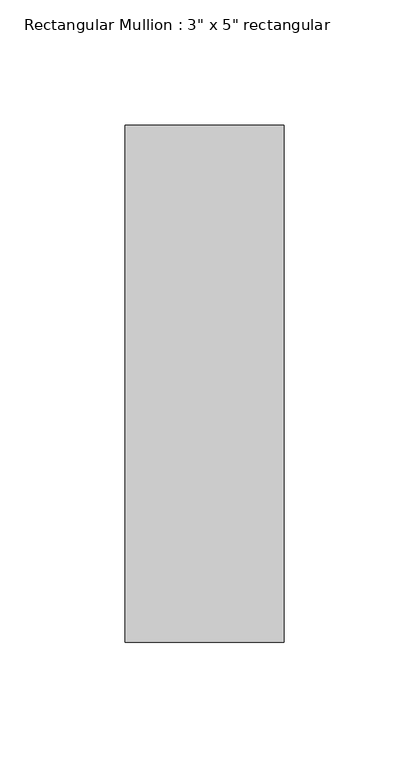
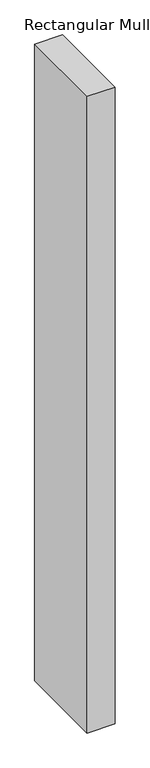
"""IFC4 building model written with IfcOpenShell, lengths in millimetres: member geometry."""

import ifcopenshell
import ifcopenshell.guid

model = None  # the IFC model being written
_history = None  # IfcOwnerHistory: only IFC2X3 demands one
_inside = {}  # id of a spatial element -> (the spatial element, [elements in it])
_under = {}  # id of a project, library or spatial element -> (it, [spatial elements below it])
_declared = {}  # id of a project -> (the project, [libraries it declares])
_typed = {}  # id of a type object -> (the type object, [elements of that type])
_made_of = {}  # id of a material, layer set ... -> (it, [elements and type objects made of it])


def new_model(schema):
    """Start an empty IFC model of exactly this schema.

    Asked for "IFC4X3", IfcOpenShell would pick the latest addendum, in which some entities
    have other attributes; the version numbers below select the first issue.
    IFC2X3 requires an IfcOwnerHistory on every rooted entity: one is made here for all.
    """
    global model, _history
    if schema == "IFC4X3":
        model = ifcopenshell.file(schema_version=(4, 3, 0, 0))
    else:
        model = ifcopenshell.file(schema=schema)
    _inside.clear()
    _under.clear()
    _declared.clear()
    _typed.clear()
    _made_of.clear()
    _history = None
    if model.schema == "IFC2X3":
        org = make("IfcOrganization", Name="unknown")
        user = make(
            "IfcPersonAndOrganization",
            ThePerson=make("IfcPerson", FamilyName="unknown"),
            TheOrganization=org,
        )
        app = make(
            "IfcApplication",
            ApplicationDeveloper=org,
            Version="unknown",
            ApplicationFullName="unknown",
            ApplicationIdentifier="unknown",
        )
        _history = make(
            "IfcOwnerHistory",
            OwningUser=user,
            OwningApplication=app,
            ChangeAction="ADDED",
            CreationDate=0,
        )
    return model


def make(cls, **values):
    """One entity of the class cls with the attributes given. An attribute that is None is left unset."""
    return model.create_entity(
        cls, **{name: value for name, value in values.items() if value is not None}
    )


def rooted(cls, **values):
    """An entity with a GlobalId (a new one), such as an element, a storey or a relation."""
    return make(cls, GlobalId=ifcopenshell.guid.new(), OwnerHistory=_history, **values)


def si_unit(unit_type, name, prefix=None):
    """IfcSIUnit, for example si_unit("LENGTHUNIT", "METRE", prefix="MILLI")."""
    return make("IfcSIUnit", UnitType=unit_type, Prefix=prefix, Name=name)


def assignment(units):
    """IfcUnitAssignment: the units of a project."""
    return None if units is None else make("IfcUnitAssignment", Units=units)


def point(xyz):
    """IfcCartesianPoint."""
    return None if xyz is None else make("IfcCartesianPoint", Coordinates=xyz)


def direction(xyz):
    """IfcDirection."""
    return None if xyz is None else make("IfcDirection", DirectionRatios=xyz)


def frame(location, z_axis=None, x_axis=None):
    """IfcAxis2Placement3D, a coordinate frame: its origin and axes. An axis left out is left unset."""
    return make(
        "IfcAxis2Placement3D",
        Location=point(location),
        Axis=direction(z_axis),
        RefDirection=direction(x_axis),
    )


def origin():
    """The frame at (0, 0, 0) with its axes left unset."""
    return frame((0.0, 0.0, 0.0))


def place(relative_to, where):
    """IfcLocalPlacement: puts the frame where relative to a parent placement (None: the world)."""
    return make(
        "IfcLocalPlacement", PlacementRelTo=relative_to, RelativePlacement=where
    )


def context(
    kind, dimensions, precision=None, world=None, true_north=None, identifier=None
):
    """IfcGeometricRepresentationContext, for example the 3D "Model" context."""
    return make(
        "IfcGeometricRepresentationContext",
        ContextIdentifier=identifier,
        ContextType=kind,
        CoordinateSpaceDimension=dimensions,
        Precision=precision,
        WorldCoordinateSystem=world,
        TrueNorth=true_north,
    )


def project(units=None, contexts=None):
    """IfcProject with its units and contexts."""
    return rooted(
        "IfcProject",
        Name="project",
        RepresentationContexts=contexts,
        UnitsInContext=assignment(units),
    )


def spatial(cls, under=None, at=None, **own):
    """A site, building, storey or space (cls), placed at a placement, below another one or the project."""
    s = rooted(cls, ObjectPlacement=at, **own)
    if under is not None:
        _under.setdefault(under.id(), (under, []))[1].append(s)
    return s


def polyline(points):
    """IfcPolyline through the points."""
    return make("IfcPolyline", Points=[point(p) for p in points])


def outline(outer, holes=None, kind="AREA"):
    """IfcArbitraryClosedProfileDef: a profile drawn as a closed curve; with holes, ...WithVoids."""
    if holes is None:
        return make("IfcArbitraryClosedProfileDef", ProfileType=kind, OuterCurve=outer)
    return make(
        "IfcArbitraryProfileDefWithVoids",
        ProfileType=kind,
        OuterCurve=outer,
        InnerCurves=holes,
    )


def extrude(swept, where, along, depth):
    """IfcExtrudedAreaSolid: the profile swept, set in the frame where, extruded along a direction by depth."""
    return make(
        "IfcExtrudedAreaSolid",
        SweptArea=swept,
        Position=where,
        ExtrudedDirection=direction(along),
        Depth=depth,
    )


def shape(context_of_items, identifier, shape_type, items):
    """IfcShapeRepresentation: the items that make up one representation, for example the "Body"."""
    return make(
        "IfcShapeRepresentation",
        ContextOfItems=context_of_items,
        RepresentationIdentifier=identifier,
        RepresentationType=shape_type,
        Items=items,
    )


def source(mapping_origin, context_of_items, identifier, shape_type, items):
    """IfcRepresentationMap: a shape defined once, which mapped items show again and again."""
    return make(
        "IfcRepresentationMap",
        MappingOrigin=mapping_origin,
        MappedRepresentation=shape(context_of_items, identifier, shape_type, items),
    )


def transform(
    local_origin,
    x_axis=None,
    y_axis=None,
    z_axis=None,
    scale=None,
    scale2=None,
    scale3=None,
    uniform=True,
):
    """IfcCartesianTransformationOperator3D, or its non-uniform kind. x_axis, y_axis, z_axis: its Axis1, 2, 3."""
    if uniform:
        return make(
            "IfcCartesianTransformationOperator3D",
            Axis1=direction(x_axis),
            Axis2=direction(y_axis),
            LocalOrigin=point(local_origin),
            Scale=scale,
            Axis3=direction(z_axis),
        )
    return make(
        "IfcCartesianTransformationOperator3DnonUniform",
        Axis1=direction(x_axis),
        Axis2=direction(y_axis),
        LocalOrigin=point(local_origin),
        Scale=scale,
        Axis3=direction(z_axis),
        Scale2=scale2,
        Scale3=scale3,
    )


def mapped(mapping_source, mapping_target):
    """IfcMappedItem: shows the shape of a source again, moved by a transform."""
    return make(
        "IfcMappedItem", MappingSource=mapping_source, MappingTarget=mapping_target
    )


def made_of(thing, what):
    """Note that an element or type object is made of a material, layer set ...; save() writes the relation."""
    if what is not None:
        _made_of.setdefault(what.id(), (what, []))[1].append(thing)
    return thing


def element(
    cls,
    number,
    at=None,
    inside=None,
    cuts=None,
    type_object=None,
    material=None,
    context=None,
    identifier="Body",
    shape_type=None,
    held_by="IfcProductDefinitionShape",
    body=None,
    shapes=None,
    **own,
):
    """One element of the class cls, such as IfcWall. Its Tag is "e" and its number.

    at: its placement. inside: the storey or other place that contains it. cuts: it is an
    opening in that element (IfcRelVoidsElement). A single representation is given by context,
    identifier, shape_type and body (its items); several are given by shapes. held_by: the class
    of the entity that holds the representations. save() writes the other relations.
    """
    e = rooted(cls, Tag="e%d" % number, ObjectPlacement=at, **own)
    if body is not None:
        shapes = [shape(context, identifier, shape_type, body)]
    if shapes is not None:
        e.Representation = make(held_by, Representations=shapes)
    if inside is not None:
        _inside.setdefault(inside.id(), (inside, []))[1].append(e)
    if cuts is not None:
        rooted(
            "IfcRelVoidsElement", RelatingBuildingElement=cuts, RelatedOpeningElement=e
        )
    if type_object is not None:
        _typed.setdefault(type_object.id(), (type_object, []))[1].append(e)
    return made_of(e, material)


def aggregate(whole, parts):
    """IfcRelAggregates: a whole, such as a stair, and the parts it consists of."""
    return rooted("IfcRelAggregates", RelatingObject=whole, RelatedObjects=parts)


def save(model, path):
    """Write the relations noted so far, then the file.

    IfcRelAggregates (storeys below a building ...), IfcRelContainedInSpatialStructure (elements
    in a storey), IfcRelDefinesByType, IfcRelAssociatesMaterial and IfcRelDeclares: one each for
    every whole, place, type object, material and project.
    """
    for whole, parts in _under.values():
        aggregate(whole, parts)
    for where, things in _inside.values():
        rooted(
            "IfcRelContainedInSpatialStructure",
            RelatedElements=things,
            RelatingStructure=where,
        )
    for kind, things in _typed.values():
        rooted("IfcRelDefinesByType", RelatedObjects=things, RelatingType=kind)
    for what, things in _made_of.values():
        rooted("IfcRelAssociatesMaterial", RelatedObjects=things, RelatingMaterial=what)
    for by, libraries in _declared.values():
        rooted("IfcRelDeclares", RelatingContext=by, RelatedDefinitions=libraries)
    model.write(path)


def member_d59a83ad(model_context):
    return source(origin(), model_context, "Body", "SweptSolid", [
        extrude(outline(polyline([(0.0, 90.551), (0.0, -115.951), (-63.5, -115.951), (-63.5, 90.551), (0.0, 90.551)])), frame((0.0, 0.0, -1530.35), z_axis=(0.0, 0.0, 1.0), x_axis=(1.0, 0.0, 0.0)), (0.0, 0.0, 1.0), 1530.35),
    ])


if __name__ == "__main__":
    model = new_model("IFC4")
    model_context = context("Model", 3, world=origin())
    ifc_project = project(units=[si_unit("LENGTHUNIT", "METRE", prefix="MILLI")], contexts=[model_context])
    site = spatial("IfcSite", under=ifc_project)
    building = spatial("IfcBuilding", under=site)
    placement = place(None, origin())
    member_shape = member_d59a83ad(model_context)
    element("IfcMember", 1, ObjectType="Rectangular Mullion : 3\" x 5\" rectangular", at=placement, inside=building, context=model_context, shape_type="MappedRepresentation", body=[
        mapped(member_shape, transform((0.0, 0.0, 0.0), x_axis=(1.0, 0.0, 0.0), y_axis=(0.0, 1.0, 0.0), z_axis=(0.0, 0.0, 1.0))),
    ])
    save(model, "model.ifc")
